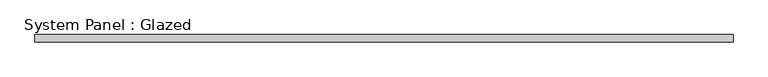
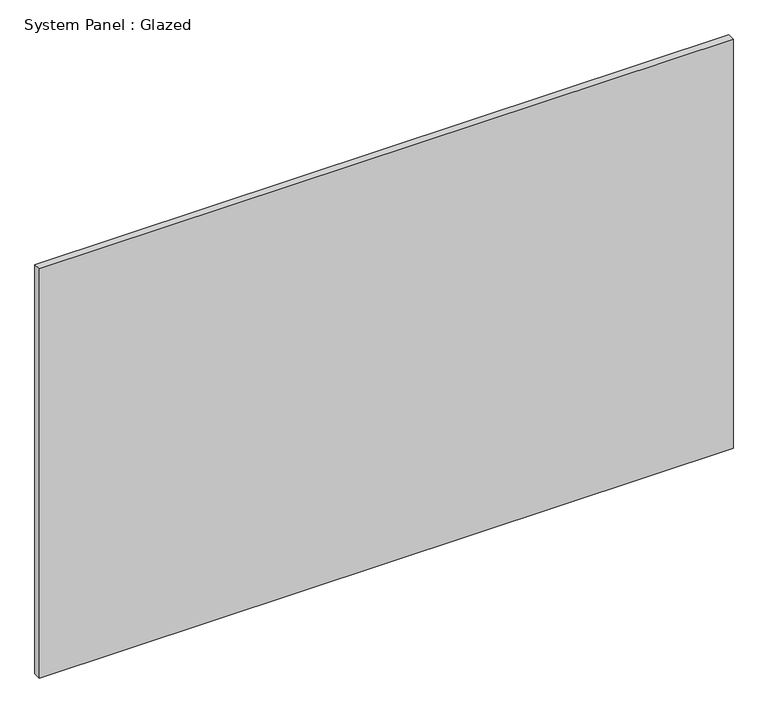
"""IFC4 building model written with IfcOpenShell, lengths in millimetres: plate geometry, System Panel : Glazed."""

from ifc_helpers import new_model, si_unit, origin, origin_with_axes, place, context, project, spatial, polyline, outline, extrude, source, transform, mapped, element, save


def system_panel_glazed_ebf2e88b(model_context):
    return source(origin(), model_context, "Body", "SweptSolid", [
        extrude(outline(polyline([(1171.575, -44.45), (-1171.575, -44.45), (-1171.575, -19.05), (1171.575, -19.05), (1171.575, -44.45)])), origin_with_axes(), (0.0, 0.0, 1.0), 1460.5),
    ])


if __name__ == "__main__":
    model = new_model("IFC4")
    model_context = context("Model", 3, world=origin())
    ifc_project = project(units=[si_unit("LENGTHUNIT", "METRE", prefix="MILLI")], contexts=[model_context])
    site = spatial("IfcSite", under=ifc_project)
    building = spatial("IfcBuilding", under=site)
    placement = place(None, origin())
    system_panel_glazed_shape = system_panel_glazed_ebf2e88b(model_context)
    element("IfcPlate", 1, ObjectType="System Panel : Glazed", at=placement, inside=building, context=model_context, shape_type="MappedRepresentation", body=[
        mapped(system_panel_glazed_shape, transform((0.0, 0.0, 0.0), x_axis=(1.0, 0.0, 0.0), y_axis=(0.0, 1.0, 0.0), z_axis=(0.0, 0.0, 1.0))),
    ])
    save(model, "model.ifc")
